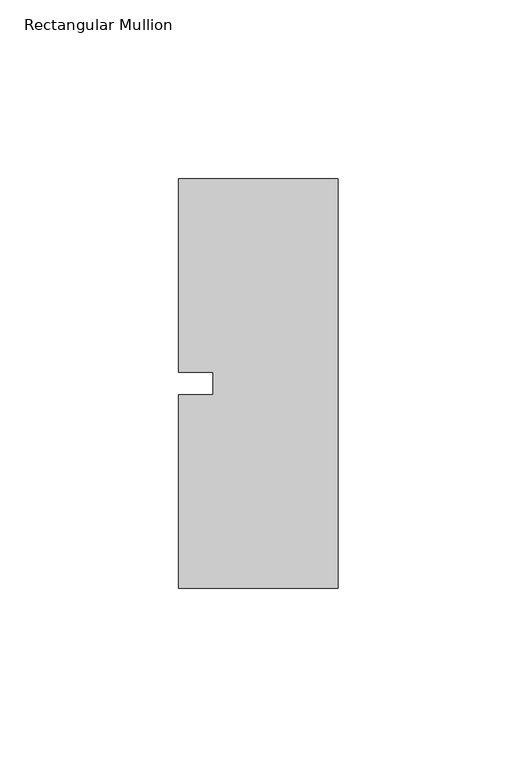
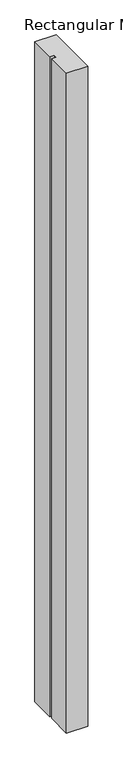
"""IFC4 building model written with IfcOpenShell, lengths in millimetres: member geometry, Rectangular Mullion."""

from ifc_helpers import new_model, si_unit, frame, origin, place, context, project, spatial, polyline, outline, extrude, source, transform, mapped, element, save


def rectangular_mullion_7c711d4b(model_context):
    return source(origin(), model_context, "Body", "SweptSolid", [
        extrude(outline(polyline([(-44.45, -57.1503346), (-44.45, -3.175), (-34.925, -3.175), (-34.925, 3.175), (-44.45, 3.175), (-44.45, 57.1496654), (0.0, 57.1496654), (0.0, -57.1503346), (-44.45, -57.1503346)])), frame((0.0, 0.0, -1457.325), z_axis=(0.0, 0.0, 1.0), x_axis=(1.0, 0.0, 0.0)), (0.0, 0.0, 1.0), 1457.325),
    ])


if __name__ == "__main__":
    model = new_model("IFC4")
    model_context = context("Model", 3, world=origin())
    ifc_project = project(units=[si_unit("LENGTHUNIT", "METRE", prefix="MILLI")], contexts=[model_context])
    site = spatial("IfcSite", under=ifc_project)
    building = spatial("IfcBuilding", under=site)
    placement = place(None, origin())
    rectangular_mullion_shape = rectangular_mullion_7c711d4b(model_context)
    element("IfcMember", 1, ObjectType="Rectangular Mullion", at=placement, inside=building, context=model_context, shape_type="MappedRepresentation", body=[
        mapped(rectangular_mullion_shape, transform((0.0, 0.0, 0.0), x_axis=(1.0, 0.0, 0.0), y_axis=(0.0, 1.0, 0.0), z_axis=(0.0, 0.0, 1.0))),
    ])
    save(model, "model.ifc")
